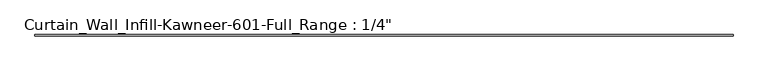
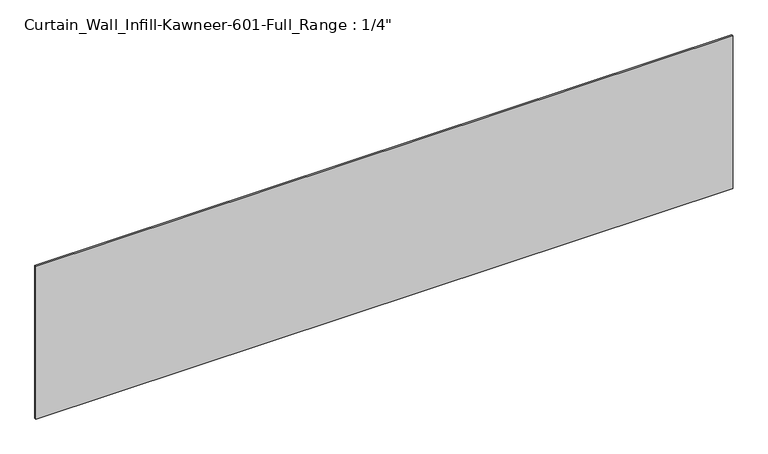
"""IFC4 building model written with IfcOpenShell, lengths in millimetres: plate geometry."""

from ifc_helpers import new_model, si_unit, origin, origin_with_axes, place, context, project, spatial, polyline, outline, extrude, source, transform, mapped, element, save


def plate_0c264575(model_context):
    return source(origin(), model_context, "Body", "SweptSolid", [
        extrude(outline(polyline([(-1473.2, 0.0), (-1473.2, 6.35), (1473.2, 6.35), (1473.2, 0.0), (-1473.2, 0.0)])), origin_with_axes(), (0.0, 0.0, 1.0), 682.625),
    ])


if __name__ == "__main__":
    model = new_model("IFC4")
    model_context = context("Model", 3, world=origin())
    ifc_project = project(units=[si_unit("LENGTHUNIT", "METRE", prefix="MILLI")], contexts=[model_context])
    site = spatial("IfcSite", under=ifc_project)
    building = spatial("IfcBuilding", under=site)
    placement = place(None, origin())
    plate_shape = plate_0c264575(model_context)
    element("IfcPlate", 1, ObjectType="Curtain_Wall_Infill-Kawneer-601-Full_Range : 1/4\"", at=placement, inside=building, context=model_context, shape_type="MappedRepresentation", body=[
        mapped(plate_shape, transform((0.0, 0.0, 0.0), x_axis=(1.0, 0.0, 0.0), y_axis=(0.0, 1.0, 0.0), z_axis=(0.0, 0.0, 1.0))),
    ])
    save(model, "model.ifc")
